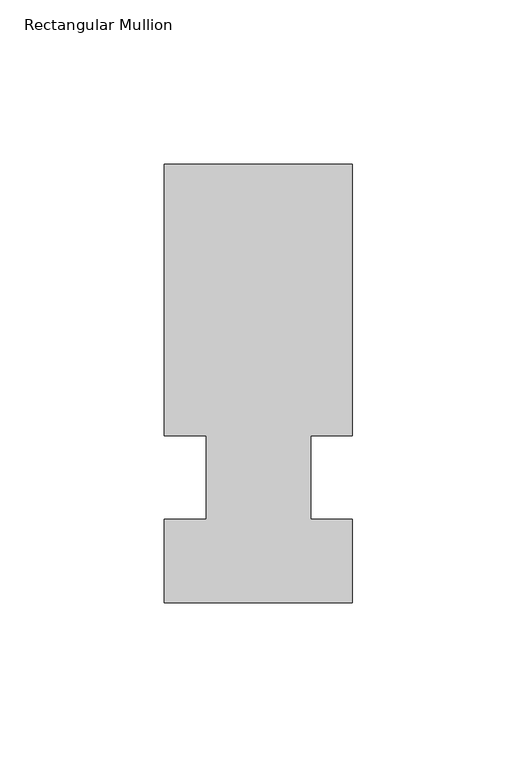
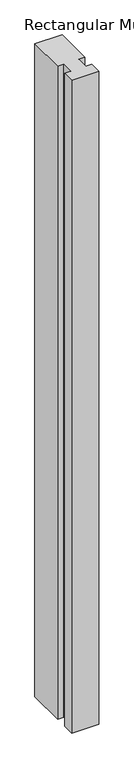
"""IFC4 building model written with IfcOpenShell, lengths in millimetres: member geometry, Rectangular Mullion."""

from ifc_helpers import new_model, si_unit, frame, origin, place, context, project, spatial, polyline, outline, extrude, source, transform, mapped, element, save


def rectangular_mullion_86609f82(model_context):
    return source(origin(), model_context, "Body", "SweptSolid", [
        extrude(outline(polyline([(32.9094027, 95.25), (32.9094027, 12.7), (20.2076322, 12.7), (20.2076322, -12.7), (32.9094027, -12.7), (32.9094027, -38.1), (-24.2405973, -38.1), (-24.2405973, -12.7), (-11.5405973, -12.7), (-11.5405973, 12.7), (-24.2405973, 12.7), (-24.2405973, 95.25), (32.9094027, 95.25)])), frame((0.0, 0.0, -1449.9166667), z_axis=(0.0, 0.0, 1.0), x_axis=(1.0, 0.0, 0.0)), (0.0, 0.0, 1.0), 1449.9166667),
    ])


if __name__ == "__main__":
    model = new_model("IFC4")
    model_context = context("Model", 3, world=origin())
    ifc_project = project(units=[si_unit("LENGTHUNIT", "METRE", prefix="MILLI")], contexts=[model_context])
    site = spatial("IfcSite", under=ifc_project)
    building = spatial("IfcBuilding", under=site)
    placement = place(None, origin())
    rectangular_mullion_shape = rectangular_mullion_86609f82(model_context)
    element("IfcMember", 1, ObjectType="Rectangular Mullion", at=placement, inside=building, context=model_context, shape_type="MappedRepresentation", body=[
        mapped(rectangular_mullion_shape, transform((0.0, 0.0, 0.0), x_axis=(1.0, 0.0, 0.0), y_axis=(0.0, 1.0, 0.0), z_axis=(0.0, 0.0, 1.0))),
    ])
    save(model, "model.ifc")
